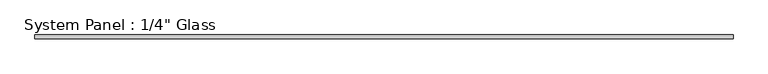
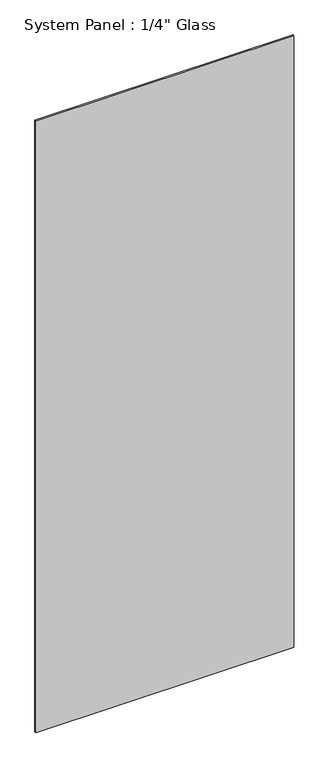
"""IFC4 building model written with IfcOpenShell, lengths in millimetres: plate geometry."""

import ifcopenshell
import ifcopenshell.guid

model = None  # the IFC model being written
_history = None  # IfcOwnerHistory: only IFC2X3 demands one
_inside = {}  # id of a spatial element -> (the spatial element, [elements in it])
_under = {}  # id of a project, library or spatial element -> (it, [spatial elements below it])
_declared = {}  # id of a project -> (the project, [libraries it declares])
_typed = {}  # id of a type object -> (the type object, [elements of that type])
_made_of = {}  # id of a material, layer set ... -> (it, [elements and type objects made of it])


def new_model(schema):
    """Start an empty IFC model of exactly this schema.

    Asked for "IFC4X3", IfcOpenShell would pick the latest addendum, in which some entities
    have other attributes; the version numbers below select the first issue.
    IFC2X3 requires an IfcOwnerHistory on every rooted entity: one is made here for all.
    """
    global model, _history
    if schema == "IFC4X3":
        model = ifcopenshell.file(schema_version=(4, 3, 0, 0))
    else:
        model = ifcopenshell.file(schema=schema)
    _inside.clear()
    _under.clear()
    _declared.clear()
    _typed.clear()
    _made_of.clear()
    _history = None
    if model.schema == "IFC2X3":
        org = make("IfcOrganization", Name="unknown")
        user = make(
            "IfcPersonAndOrganization",
            ThePerson=make("IfcPerson", FamilyName="unknown"),
            TheOrganization=org,
        )
        app = make(
            "IfcApplication",
            ApplicationDeveloper=org,
            Version="unknown",
            ApplicationFullName="unknown",
            ApplicationIdentifier="unknown",
        )
        _history = make(
            "IfcOwnerHistory",
            OwningUser=user,
            OwningApplication=app,
            ChangeAction="ADDED",
            CreationDate=0,
        )
    return model


def make(cls, **values):
    """One entity of the class cls with the attributes given. An attribute that is None is left unset."""
    return model.create_entity(
        cls, **{name: value for name, value in values.items() if value is not None}
    )


def rooted(cls, **values):
    """An entity with a GlobalId (a new one), such as an element, a storey or a relation."""
    return make(cls, GlobalId=ifcopenshell.guid.new(), OwnerHistory=_history, **values)


def si_unit(unit_type, name, prefix=None):
    """IfcSIUnit, for example si_unit("LENGTHUNIT", "METRE", prefix="MILLI")."""
    return make("IfcSIUnit", UnitType=unit_type, Prefix=prefix, Name=name)


def assignment(units):
    """IfcUnitAssignment: the units of a project."""
    return None if units is None else make("IfcUnitAssignment", Units=units)


def point(xyz):
    """IfcCartesianPoint."""
    return None if xyz is None else make("IfcCartesianPoint", Coordinates=xyz)


def direction(xyz):
    """IfcDirection."""
    return None if xyz is None else make("IfcDirection", DirectionRatios=xyz)


def frame(location, z_axis=None, x_axis=None):
    """IfcAxis2Placement3D, a coordinate frame: its origin and axes. An axis left out is left unset."""
    return make(
        "IfcAxis2Placement3D",
        Location=point(location),
        Axis=direction(z_axis),
        RefDirection=direction(x_axis),
    )


def origin():
    """The frame at (0, 0, 0) with its axes left unset."""
    return frame((0.0, 0.0, 0.0))


def origin_with_axes():
    """The frame at (0, 0, 0) with the z axis (0, 0, 1) and the x axis (1, 0, 0) written out."""
    return frame((0.0, 0.0, 0.0), z_axis=(0.0, 0.0, 1.0), x_axis=(1.0, 0.0, 0.0))


def place(relative_to, where):
    """IfcLocalPlacement: puts the frame where relative to a parent placement (None: the world)."""
    return make(
        "IfcLocalPlacement", PlacementRelTo=relative_to, RelativePlacement=where
    )


def context(
    kind, dimensions, precision=None, world=None, true_north=None, identifier=None
):
    """IfcGeometricRepresentationContext, for example the 3D "Model" context."""
    return make(
        "IfcGeometricRepresentationContext",
        ContextIdentifier=identifier,
        ContextType=kind,
        CoordinateSpaceDimension=dimensions,
        Precision=precision,
        WorldCoordinateSystem=world,
        TrueNorth=true_north,
    )


def project(units=None, contexts=None):
    """IfcProject with its units and contexts."""
    return rooted(
        "IfcProject",
        Name="project",
        RepresentationContexts=contexts,
        UnitsInContext=assignment(units),
    )


def spatial(cls, under=None, at=None, **own):
    """A site, building, storey or space (cls), placed at a placement, below another one or the project."""
    s = rooted(cls, ObjectPlacement=at, **own)
    if under is not None:
        _under.setdefault(under.id(), (under, []))[1].append(s)
    return s


def polyline(points):
    """IfcPolyline through the points."""
    return make("IfcPolyline", Points=[point(p) for p in points])


def outline(outer, holes=None, kind="AREA"):
    """IfcArbitraryClosedProfileDef: a profile drawn as a closed curve; with holes, ...WithVoids."""
    if holes is None:
        return make("IfcArbitraryClosedProfileDef", ProfileType=kind, OuterCurve=outer)
    return make(
        "IfcArbitraryProfileDefWithVoids",
        ProfileType=kind,
        OuterCurve=outer,
        InnerCurves=holes,
    )


def extrude(swept, where, along, depth):
    """IfcExtrudedAreaSolid: the profile swept, set in the frame where, extruded along a direction by depth."""
    return make(
        "IfcExtrudedAreaSolid",
        SweptArea=swept,
        Position=where,
        ExtrudedDirection=direction(along),
        Depth=depth,
    )


def shape(context_of_items, identifier, shape_type, items):
    """IfcShapeRepresentation: the items that make up one representation, for example the "Body"."""
    return make(
        "IfcShapeRepresentation",
        ContextOfItems=context_of_items,
        RepresentationIdentifier=identifier,
        RepresentationType=shape_type,
        Items=items,
    )


def source(mapping_origin, context_of_items, identifier, shape_type, items):
    """IfcRepresentationMap: a shape defined once, which mapped items show again and again."""
    return make(
        "IfcRepresentationMap",
        MappingOrigin=mapping_origin,
        MappedRepresentation=shape(context_of_items, identifier, shape_type, items),
    )


def transform(
    local_origin,
    x_axis=None,
    y_axis=None,
    z_axis=None,
    scale=None,
    scale2=None,
    scale3=None,
    uniform=True,
):
    """IfcCartesianTransformationOperator3D, or its non-uniform kind. x_axis, y_axis, z_axis: its Axis1, 2, 3."""
    if uniform:
        return make(
            "IfcCartesianTransformationOperator3D",
            Axis1=direction(x_axis),
            Axis2=direction(y_axis),
            LocalOrigin=point(local_origin),
            Scale=scale,
            Axis3=direction(z_axis),
        )
    return make(
        "IfcCartesianTransformationOperator3DnonUniform",
        Axis1=direction(x_axis),
        Axis2=direction(y_axis),
        LocalOrigin=point(local_origin),
        Scale=scale,
        Axis3=direction(z_axis),
        Scale2=scale2,
        Scale3=scale3,
    )


def mapped(mapping_source, mapping_target):
    """IfcMappedItem: shows the shape of a source again, moved by a transform."""
    return make(
        "IfcMappedItem", MappingSource=mapping_source, MappingTarget=mapping_target
    )


def made_of(thing, what):
    """Note that an element or type object is made of a material, layer set ...; save() writes the relation."""
    if what is not None:
        _made_of.setdefault(what.id(), (what, []))[1].append(thing)
    return thing


def element(
    cls,
    number,
    at=None,
    inside=None,
    cuts=None,
    type_object=None,
    material=None,
    context=None,
    identifier="Body",
    shape_type=None,
    held_by="IfcProductDefinitionShape",
    body=None,
    shapes=None,
    **own,
):
    """One element of the class cls, such as IfcWall. Its Tag is "e" and its number.

    at: its placement. inside: the storey or other place that contains it. cuts: it is an
    opening in that element (IfcRelVoidsElement). A single representation is given by context,
    identifier, shape_type and body (its items); several are given by shapes. held_by: the class
    of the entity that holds the representations. save() writes the other relations.
    """
    e = rooted(cls, Tag="e%d" % number, ObjectPlacement=at, **own)
    if body is not None:
        shapes = [shape(context, identifier, shape_type, body)]
    if shapes is not None:
        e.Representation = make(held_by, Representations=shapes)
    if inside is not None:
        _inside.setdefault(inside.id(), (inside, []))[1].append(e)
    if cuts is not None:
        rooted(
            "IfcRelVoidsElement", RelatingBuildingElement=cuts, RelatedOpeningElement=e
        )
    if type_object is not None:
        _typed.setdefault(type_object.id(), (type_object, []))[1].append(e)
    return made_of(e, material)


def aggregate(whole, parts):
    """IfcRelAggregates: a whole, such as a stair, and the parts it consists of."""
    return rooted("IfcRelAggregates", RelatingObject=whole, RelatedObjects=parts)


def save(model, path):
    """Write the relations noted so far, then the file.

    IfcRelAggregates (storeys below a building ...), IfcRelContainedInSpatialStructure (elements
    in a storey), IfcRelDefinesByType, IfcRelAssociatesMaterial and IfcRelDeclares: one each for
    every whole, place, type object, material and project.
    """
    for whole, parts in _under.values():
        aggregate(whole, parts)
    for where, things in _inside.values():
        rooted(
            "IfcRelContainedInSpatialStructure",
            RelatedElements=things,
            RelatingStructure=where,
        )
    for kind, things in _typed.values():
        rooted("IfcRelDefinesByType", RelatedObjects=things, RelatingType=kind)
    for what, things in _made_of.values():
        rooted("IfcRelAssociatesMaterial", RelatedObjects=things, RelatingMaterial=what)
    for by, libraries in _declared.values():
        rooted("IfcRelDeclares", RelatingContext=by, RelatedDefinitions=libraries)
    model.write(path)


def plate_c2d78c67(model_context):
    return source(origin(), model_context, "Body", "SweptSolid", [
        extrude(outline(polyline([(590.55, -3.175), (-590.55, -3.175), (-590.55, 3.175), (590.55, 3.175), (590.55, -3.175)])), origin_with_axes(), (0.0, 0.0, 1.0), 2959.1),
    ])


if __name__ == "__main__":
    model = new_model("IFC4")
    model_context = context("Model", 3, world=origin())
    ifc_project = project(units=[si_unit("LENGTHUNIT", "METRE", prefix="MILLI")], contexts=[model_context])
    site = spatial("IfcSite", under=ifc_project)
    building = spatial("IfcBuilding", under=site)
    placement = place(None, origin())
    plate_shape = plate_c2d78c67(model_context)
    element("IfcPlate", 1, ObjectType="System Panel : 1/4\" Glass", at=placement, inside=building, context=model_context, shape_type="MappedRepresentation", body=[
        mapped(plate_shape, transform((0.0, 0.0, 0.0), x_axis=(1.0, 0.0, 0.0), y_axis=(0.0, 1.0, 0.0), z_axis=(0.0, 0.0, 1.0))),
    ])
    save(model, "model.ifc")
